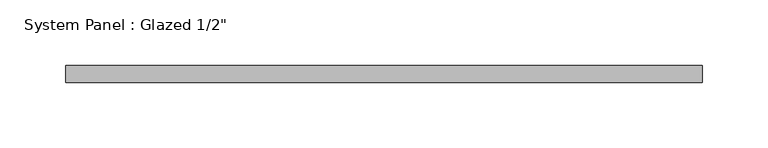
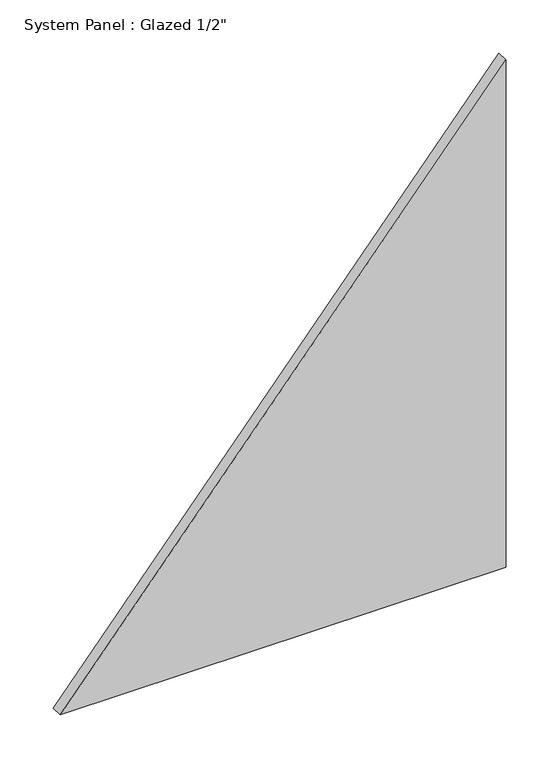
"""IFC4 building model written with IfcOpenShell, lengths in millimetres: plate geometry."""

from ifc_helpers import new_model, si_unit, frame, origin, place, context, project, spatial, polyline, outline, extrude, source, transform, mapped, element, save


def plate_e6a4ed0e(model_context):
    return source(origin(), model_context, "Body", "SweptSolid", [
        extrude(outline(polyline([(0.0, -241.7446542), (0.0, 241.7446542), (581.0818308, 241.7446542), (0.0, -241.7446542)])), frame((0.0, -6.35, 0.0), z_axis=(0.0, 1.0, 0.0), x_axis=(0.0, 0.0, 1.0)), (0.0, 0.0, 1.0), 12.7),
    ])


if __name__ == "__main__":
    model = new_model("IFC4")
    model_context = context("Model", 3, world=origin())
    ifc_project = project(units=[si_unit("LENGTHUNIT", "METRE", prefix="MILLI")], contexts=[model_context])
    site = spatial("IfcSite", under=ifc_project)
    building = spatial("IfcBuilding", under=site)
    placement = place(None, origin())
    plate_shape = plate_e6a4ed0e(model_context)
    element("IfcPlate", 1, ObjectType="System Panel : Glazed 1/2\"", at=placement, inside=building, context=model_context, shape_type="MappedRepresentation", body=[
        mapped(plate_shape, transform((0.0, 0.0, 0.0), x_axis=(1.0, 0.0, 0.0), y_axis=(0.0, 1.0, 0.0), z_axis=(0.0, 0.0, 1.0))),
    ])
    save(model, "model.ifc")
